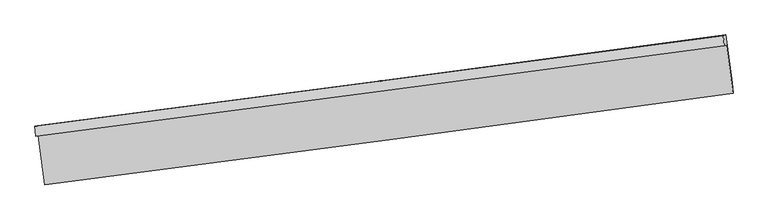
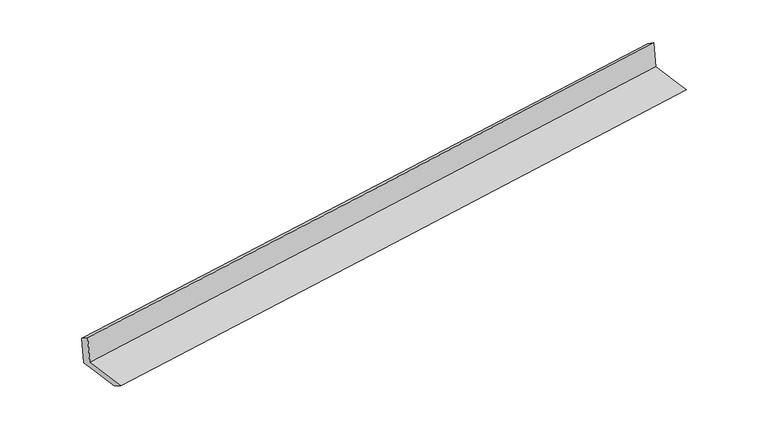
"""IFC4 building model written with IfcOpenShell, lengths in millimetres: proxy geometry."""

from ifc_helpers import new_model, si_unit, frame, origin, place, context, project, spatial, source, transform, mapped, element, save
from ifc_brep_helpers import plane_surface, spline_curve, spline_surface, advanced_brep


def generic_models_6ebcd738(model_context):
    return source(origin(), model_context, "Body", "AdvancedBrep", [
        advanced_brep(
        [(-4777.704788, -2125.2502616, 1910.7014698), (-4744.8156769, -2116.4702123, 1492.4790996), (4700.64689, -871.4167302, 2251.3778735), (4668.9334945, -879.8829115, 2654.6496858), (-4789.1750935, -1986.5566863, 1821.1187362), (4657.4631891, -741.1893361, 2565.0669522), (-4756.8117615, -1977.9169985, 1409.5822441), (4688.6508054, -732.8635164, 2168.481018), (-4666.1301499, -2643.8625887, 1402.7327838), (4777.9832416, -1388.9010623, 2161.7334651), (-4653.4539112, -2787.4107027, 1485.5782652), (4790.6594803, -1532.4491764, 2244.5789464)],
        [
            (0, 1),
            (1, 2, spline_curve(3, [(-4744.8156769, -2116.4702123, 1492.4790996), (-3169.257922458, -1913.196597595, 1622.324210976), (-1593.854418568, -1707.737655799, 1750.527684406), (1554.63271025, -1292.714250837, 2003.4897523), (3127.716728442, -1083.15536555, 2128.252537133), (4700.64689, -871.4167302, 2251.3778735)], [4, 2, 4], [0.0, 15.688111032103945, 31.35619049935905])),
            (2, 3),
            (3, 0, spline_curve(3, [(4668.9334945, -879.8829115, 2654.6496858), (3096.198910266, -1091.569335587, 2529.037361447), (1523.114892074, -1301.128221296, 2404.274576713), (-1625.763641437, -1716.256114491, 2156.289664394), (-3201.559050477, -1921.8196795, 2033.069710605), (-4777.704788, -2125.2502616, 1910.7014698)], [4, 2, 4], [0.0, 15.668079467255106, 31.35619049935905])),
            (4, 0),
            (3, 5),
            (5, 4, spline_curve(3, [(4657.4631891, -741.1893361, 2565.0669522), (3084.728605, -952.875760062, 2439.45462795), (1511.644586557, -1162.434645882, 2314.691843319), (-1637.23394692, -1577.562539305, 2066.706930588), (-3213.029355876, -1783.126103856, 1943.486976994), (-4789.1750935, -1986.5566863, 1821.1187362)], [4, 2, 4], [0.0, 15.668105512239423, 31.356242622626073])),
            (6, 4),
            (5, 7),
            (7, 6, spline_curve(3, [(4688.6508054, -732.8635164, 2168.481018), (3115.720643842, -944.60215175, 2045.355681633), (1542.63662565, -1154.161037037, 1920.5928968), (-1605.850503168, -1569.184441999, 1667.630828906), (-3181.254007058, -1774.643383795, 1539.427355476), (-4756.8117615, -1977.9169985, 1409.5822441)], [4, 2, 4], [0.0, 15.668079467255096, 31.35619049935903])),
            (8, 6),
            (7, 9),
            (9, 8, spline_curve(3, [(4777.9832416, -1388.9010623, 2161.7334651), (3205.727524348, -1605.592665048, 2038.557185903), (1633.093230898, -1818.454231906, 1913.760432131), (-1514.943597547, -2236.78454011, 1660.764351245), (-3090.347101167, -2442.24348219, 1532.560878005), (-4666.1301499, -2643.8625887, 1402.7327838)], [4, 2, 4], [0.0, 15.66806075340284, 31.356153047728945])),
            (10, 8),
            (9, 11),
            (11, 10, spline_curve(3, [(4790.6594803, -1532.4491764, 2244.5789464), (3218.40376276, -1749.140778805, 2121.402667426), (1645.76946973, -1962.002345683, 1996.605913591), (-1502.26735918, -2380.332654332, 1743.609832585), (-3077.670862813, -2585.791595923, 1615.406359225), (-4653.4539112, -2787.4107027, 1485.5782652)], [4, 2, 4], [0.0, 15.668059595651222, 31.356150730745533])),
            (1, 10),
            (11, 2),
        ],
        [
            spline_surface(3, 3, [[(-4777.704788, -2125.2502616, 1910.7014698), (-3201.559050401, -1921.819679282, 2033.069710374), (-1625.763641399, -1716.25611471, 2156.28966438), (1523.114892035, -1301.128221077, 2404.274576727), (3096.198910521, -1091.569335669, 2529.037361334), (4668.9334945, -879.8829115, 2654.6496858)], [(-4766.741750976, -2122.323578496, 1771.294013074), (-3190.792007701, -1918.945318657, 1896.154543899), (-1615.127233764, -1713.416628312, 2021.035670999), (1533.620831408, -1298.323564376, 2270.679635349), (3106.704849894, -1088.764678967, 2395.442419956), (4679.50462633, -877.060851076, 2520.225748354)], [(-4755.778713924, -2119.396895404, 1631.886556326), (-3180.024964974, -1916.070958045, 1759.239377402), (-1604.490826119, -1710.577141987, 1885.781677556), (1544.126770792, -1295.518907748, 2137.084693909), (3117.210789278, -1085.960022239, 2261.847478616), (4690.07575817, -874.238790624, 2385.801810946)], [(-4744.8156769, -2116.4702123, 1492.4790996), (-3169.257922274, -1913.19659742, 1622.324210928), (-1593.854418484, -1707.737655589, 1750.527684174), (1554.632710165, -1292.714251046, 2003.489752531), (3127.716728651, -1083.155365538, 2128.252537238), (4700.64689, -871.4167302, 2251.3778735)]], [4, 4], [4, 2, 4], [0.0, 1.3274614120841604], [0.0, 15.688111032103945, 31.35619049935905]),
            spline_surface(3, 3, [[(-4789.1750935, -1986.5566863, 1821.1187362), (-3213.029355901, -1783.126103982, 1943.486976774), (-1637.233946899, -1577.56253941, 2066.70693078), (1511.644586535, -1162.434645777, 2314.691843127), (3084.728605121, -952.875760269, 2439.454627734), (4657.4631891, -741.1893361, 2565.0669522)], [(-4785.351658341, -2032.787878082, 1850.9796474), (-3209.205920742, -1829.357295764, 1973.347887974), (-1633.410511739, -1623.793731193, 2096.56784198), (1515.468021694, -1208.665837559, 2344.552754327), (3088.55204028, -999.106952051, 2469.315538934), (4661.286624259, -787.420527882, 2594.9278634)], [(-4781.528223159, -2079.019069818, 1880.8405586), (-3205.38248556, -1875.5884875, 2003.208799174), (-1629.587076558, -1670.024922928, 2126.428753181), (1519.291456876, -1254.897029294, 2374.413665527), (3092.375475362, -1045.338143886, 2499.176450135), (4665.110059341, -833.651719718, 2624.7887746)], [(-4777.704788, -2125.2502616, 1910.7014698), (-3201.559050401, -1921.819679282, 2033.069710374), (-1625.763641399, -1716.25611471, 2156.28966438), (1523.114892035, -1301.128221077, 2404.274576727), (3096.198910521, -1091.569335669, 2529.037361334), (4668.9334945, -879.8829115, 2654.6496858)]], [4, 4], [4, 2, 4], [0.0, 0.5430017193334311], [0.0, 15.68813711038665, 31.356242622626073]),
            spline_surface(3, 3, [[(-4756.8117615, -1977.9169985, 1409.5822441), (-3181.254006874, -1774.64338362, 1539.427355428), (-1605.850503084, -1569.184441789, 1667.630828674), (1542.636625565, -1154.161037246, 1920.592897031), (3115.720644051, -944.602151738, 2045.355681738), (4688.6508054, -732.8635164, 2168.481018)], [(-4767.599538819, -1980.796894421, 1546.761074792), (-3191.845789869, -1777.470957062, 1674.113895868), (-1616.311651014, -1571.977141005, 1800.656196022), (1532.305945897, -1156.918906765, 2051.959212375), (3105.389964383, -947.360021256, 2176.721997082), (4678.254933275, -735.638789642, 2300.676329412)], [(-4778.387316181, -1983.676790379, 1683.939905508), (-3202.437572906, -1780.29853054, 1808.800436333), (-1626.772798969, -1574.769840195, 1933.681563433), (1521.975266204, -1159.676776258, 2183.325527783), (3095.059284789, -950.11789075, 2308.08831239), (4667.859061225, -738.414062858, 2432.871640788)], [(-4789.1750935, -1986.5566863, 1821.1187362), (-3213.029355901, -1783.126103982, 1943.486976774), (-1637.233946899, -1577.56253941, 2066.70693078), (1511.644586535, -1162.434645777, 2314.691843127), (3084.728605121, -952.875760269, 2439.454627734), (4657.4631891, -741.1893361, 2565.0669522)]], [4, 4], [4, 2, 4], [0.0, 1.3054535754750702], [0.0, 15.688111032103935, 31.35619049935903]),
            spline_surface(3, 3, [[(-4666.1301499, -2643.8625887, 1402.7327838), (-3090.347101384, -2442.243482047, 1532.560877989), (-1514.943597594, -2236.784540216, 1660.764351236), (1633.093230945, -1818.454231799, 1913.760432141), (3205.727524309, -1605.592664815, 2038.557186009), (4777.9832416, -1388.9010623, 2161.7334651)], [(-4696.357353772, -2421.880725308, 1405.015937236), (-3120.64940322, -2219.710115913, 1534.849703804), (-1545.24589943, -2014.251174082, 1663.053177051), (1602.941029146, -1597.023166956, 1916.03792044), (3175.725230889, -1385.262493776, 2040.823351269), (4748.205762867, -1170.22188032, 2163.982649416)], [(-4726.584557628, -2199.898861892, 1407.299090664), (-3150.951705038, -1997.176749754, 1537.138529612), (-1575.548201248, -1791.717807924, 1665.342002859), (1572.788827364, -1375.592102089, 1918.315408732), (3145.72293747, -1164.932322777, 2043.089516479), (4718.428284133, -951.54269838, 2166.231833684)], [(-4756.8117615, -1977.9169985, 1409.5822441), (-3181.254006874, -1774.64338362, 1539.427355428), (-1605.850503084, -1569.184441789, 1667.630828674), (1542.636625565, -1154.161037246, 1920.592897031), (3115.720644051, -944.602151738, 2045.355681738), (4688.6508054, -732.8635164, 2168.481018)]], [4, 4], [4, 2, 4], [0.0, 2.2051488649124042], [0.0, 15.688092294326106, 31.356153047728945]),
            spline_surface(3, 3, [[(-4653.4539112, -2787.4107027, 1485.5782652), (-3077.670862684, -2585.791596047, 1615.406359389), (-1502.267358994, -2380.332654216, 1743.609832636), (1645.769469545, -1962.002345799, 1996.605913541), (3218.403763009, -1749.140778915, 2121.402667309), (4790.6594803, -1532.4491764, 2244.5789464)], [(-4657.679324088, -2739.561331353, 1457.963104742), (-3081.896275572, -2537.9422247, 1587.791198931), (-1506.492771881, -2332.483282869, 1715.994672178), (1641.544056657, -1914.152974452, 1968.990753083), (3214.178350121, -1701.291407568, 2093.787506851), (4786.434067412, -1484.599805053, 2216.963785942)], [(-4661.904737012, -2691.711960047, 1430.347944258), (-3086.121688497, -2490.092853394, 1560.176038447), (-1510.718184706, -2284.633911563, 1688.379511694), (1637.318643832, -1866.303603146, 1941.375592599), (3209.952937196, -1653.442036162, 2066.172346467), (4782.208654488, -1436.750433647, 2189.348625558)], [(-4666.1301499, -2643.8625887, 1402.7327838), (-3090.347101384, -2442.243482047, 1532.560877989), (-1514.943597594, -2236.784540216, 1660.764351236), (1633.093230945, -1818.454231799, 1913.760432141), (3205.727524309, -1605.592664815, 2038.557186009), (4777.9832416, -1388.9010623, 2161.7334651)]], [4, 4], [4, 2, 4], [0.0, 0.5453514063930767], [0.0, 15.68809113509431, 31.356150730745533]),
            spline_surface(3, 3, [[(-4744.8156769, -2116.4702123, 1492.4790996), (-3169.257922274, -1913.19659742, 1622.324210928), (-1593.854418484, -1707.737655589, 1750.527684174), (1554.632710165, -1292.714251046, 2003.489752531), (3127.716728651, -1083.155365538, 2128.252537238), (4700.64689, -871.4167302, 2251.3778735)], [(-4714.361755004, -2340.117042439, 1490.178821456), (-3138.728902415, -2137.394930302, 1620.018260405), (-1563.325398624, -1931.935988471, 1748.221733651), (1585.011629988, -1515.810282637, 2001.195139524), (3157.945740094, -1305.150503324, 2125.969247271), (4730.651086757, -1091.760878927, 2249.111564476)], [(-4683.907833096, -2563.763872561, 1487.878543344), (-3108.199882543, -2361.593263165, 1617.712309912), (-1532.796378853, -2156.134321335, 1745.915783159), (1615.390549722, -1738.906314209, 1998.900526548), (3188.174751566, -1527.145641128, 2123.685957276), (4760.655283543, -1312.105027673, 2246.845255424)], [(-4653.4539112, -2787.4107027, 1485.5782652), (-3077.670862684, -2585.791596047, 1615.406359389), (-1502.267358994, -2380.332654216, 1743.609832636), (1645.769469545, -1962.002345799, 1996.605913541), (3218.403763009, -1749.140778915, 2121.402667309), (4790.6594803, -1532.4491764, 2244.5789464)]], [4, 4], [4, 2, 4], [0.0, 2.2216884236752747], [0.0, 15.688092294326095, 31.356153047728924]),
            plane_surface(frame((4714.0561835, -1024.4504555, 2340.9813235), z_axis=(0.9877518259656701, 0.13367407359208994, 0.08048336692001112), x_axis=(-0.13491754169725895, 0.9908044236104655, 0.010190735807666617))),
            plane_surface(frame((-4731.3485635, -2272.9112417, 1587.0320998), z_axis=(-0.9877518259656641, -0.1336740735921091, -0.08048336692005303), x_axis=(-0.07838103880314212, -0.02092453591431999, 0.9967038559938005))),
        ],
        [
            (0, [[1, 2, 3, 4]]),
            (1, [[5, -4, 6, 7]]),
            (2, [[8, -7, 9, 10]]),
            (3, [[11, -10, 12, 13]]),
            (4, [[14, -13, 15, 16]]),
            (5, [[17, -16, 18, -2]]),
            (6, [[-12, -9, -6, -3, -18, -15]]),
            (7, [[-1, -5, -8, -11, -14, -17]]),
        ],
    ),
    ])


if __name__ == "__main__":
    model = new_model("IFC4")
    model_context = context("Model", 3, world=origin())
    ifc_project = project(units=[si_unit("LENGTHUNIT", "METRE", prefix="MILLI")], contexts=[model_context])
    site = spatial("IfcSite", under=ifc_project)
    building = spatial("IfcBuilding", under=site)
    placement = place(None, origin())
    generic_models_shape = generic_models_6ebcd738(model_context)
    element("IfcBuildingElementProxy", 1, Name="Generic Models", at=placement, inside=building, context=model_context, shape_type="MappedRepresentation", body=[
        mapped(generic_models_shape, transform((0.0, 0.0, 0.0), x_axis=(1.0, 0.0, 0.0), y_axis=(0.0, 1.0, 0.0), z_axis=(0.0, 0.0, 1.0))),
    ])
    save(model, "model.ifc")
